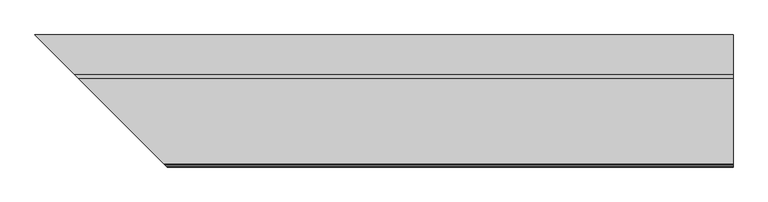
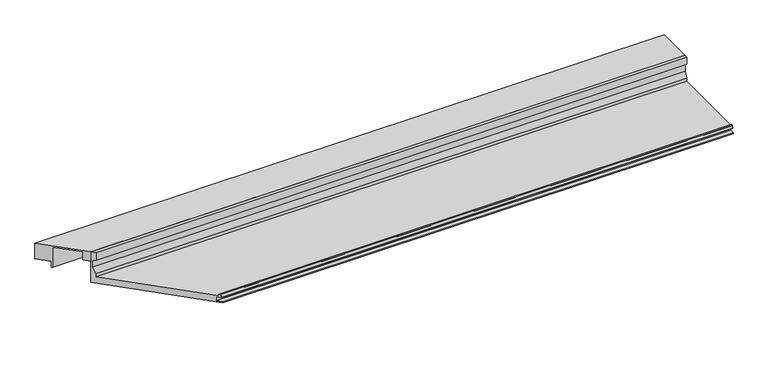
"""IFC4 building model written with IfcOpenShell, lengths in millimetres: proxy geometry."""

from ifc_helpers import new_model, si_unit, frame, origin, place, context, project, spatial, polyline, circle_curve, ellipse_curve, faceted_brep, source, transform, mapped, element, save
from ifc_brep_helpers import plane_surface, cylinder_surface, revolved_surface, advanced_brep


def specialty_equipment_14acd320(model_context):
    return source(origin(), model_context, "Body", "SolidModel", [
        faceted_brep([(-165.632524, 165.632524, 63.5), (-235.482524, 235.482524, 63.5), (-235.482524, 235.482524, 31.75), (-215.241899, 215.241899, 31.75), (-215.241899, 215.241899, 19.05), (-212.9598677, 212.9598677, 19.05), (-212.9598677, 212.9598677, 61.1898306), (-175.284524, 175.284524, 61.1898306), (-175.284524, 175.284524, 44.45), (-165.632524, 165.632524, 44.45), (1009.1057457, 235.482524, 63.5), (1009.1057457, 165.632524, 63.5), (1009.1057457, 165.632524, 44.45), (1009.1057457, 175.284524, 44.45), (1009.1057457, 175.284524, 61.1898306), (1009.1057457, 212.9598677, 61.1898306), (1009.1057457, 212.9598677, 19.05), (1009.1057457, 215.241899, 19.05), (1009.1057457, 215.241899, 31.75), (1009.1057457, 235.482524, 31.75)], [[[0, 1, 2, 3, 4, 5, 6, 7, 8, 9]], [[10, 11, 12, 13, 14, 15, 16, 17, 18, 19]], [[10, 1, 0, 11]], [[11, 0, 9, 12]], [[12, 9, 8, 13]], [[13, 8, 7, 14]], [[14, 7, 6, 15]], [[15, 6, 5, 16]], [[16, 5, 4, 17]], [[17, 4, 3, 18]], [[18, 3, 2, 19]], [[1, 10, 19, 2]]]),
        advanced_brep(
        [(-165.632524, 165.632524, 0.0), (0.0, 0.0, 0.0), (0.0, 0.0, 1.651), (-8.368424, 8.368424, 1.7970714), (-8.368424, 8.368424, 9.7466904), (-7.805541, 7.805541, 10.3095735), (-1.0402986, 1.0402986, 10.3095735), (-0.5832573, 0.5832573, 11.0269846), (-2.843924, 2.843924, 15.875), (-5.206124, 5.206124, 15.875), (-5.206124, 5.206124, 12.7), (-159.282524, 159.282524, 12.7), (-159.282524, 159.282524, 19.05), (-163.346524, 163.346524, 31.75), (-163.346524, 163.346524, 46.0298451), (-158.495124, 158.495124, 48.3942822), (-158.495124, 158.495124, 63.5), (-165.632524, 165.632524, 63.5), (1009.1057457, 0.0, 0.0), (1009.1057457, 165.632524, 0.0), (1009.1057457, 165.632524, 63.5), (1009.1057457, 158.495124, 63.5), (1009.1057457, 158.495124, 48.3942822), (1009.1057457, 163.346524, 46.0298451), (1009.1057457, 163.346524, 31.75), (1009.1057457, 159.282524, 19.05), (1009.1057457, 159.282524, 12.7), (1009.1057457, 5.206124, 12.7), (1009.1057457, 5.206124, 15.875), (1009.1057457, 2.843924, 15.875), (1009.1057457, 0.5832573, 11.0269846), (1009.1057457, 1.0402986, 10.3095735), (1009.1057457, 7.805541, 10.3095735), (1009.1057457, 8.368424, 9.7466904), (1009.1057457, 8.368424, 1.7970714), (1009.1057457, 0.0, 1.651)],
        [
            (0, 1),
            (1, 2),
            (2, 3),
            (3, 4),
            (4, 5, ellipse_curve(frame((-7.805541, 7.805541, 9.7466904), z_axis=(0.7071067811865487, 0.7071067811865465, 0.0), x_axis=(0.7071067811865462, -0.7071067811865487, 0.0)), 0.7960368, 0.562883)),
            (5, 6),
            (6, 7, ellipse_curve(frame((-1.0402986, 1.0402986, 10.8138628), z_axis=(-0.7071067811865487, -0.7071067811865465, 0.0), x_axis=(-0.7071067811865462, 0.7071067811865487, 0.0)), 0.7131728, 0.5042893)),
            (7, 8),
            (8, 9),
            (9, 10),
            (10, 11),
            (11, 12),
            (12, 13),
            (13, 14),
            (14, 15),
            (15, 16),
            (16, 17),
            (17, 0),
            (18, 19),
            (19, 20),
            (20, 21),
            (21, 22),
            (22, 23),
            (23, 24),
            (24, 25),
            (25, 26),
            (26, 27),
            (27, 28),
            (28, 29),
            (29, 30),
            (30, 31, circle_curve(frame((1009.1057457, 1.0402986, 10.8138628), z_axis=(1.0, 0.0, 0.0), x_axis=(0.0, 1.0, 0.0)), 0.5042893)),
            (31, 32),
            (32, 33, circle_curve(frame((1009.1057457, 7.805541, 9.7466904), z_axis=(-1.0, 0.0, 0.0), x_axis=(0.0, 1.0, 0.0)), 0.562883)),
            (33, 34),
            (34, 35),
            (35, 18),
            (0, 19),
            (18, 1),
            (35, 2),
            (34, 3),
            (33, 4),
            (32, 5),
            (31, 6),
            (30, 7),
            (29, 8),
            (28, 9),
            (27, 10),
            (26, 11),
            (25, 12),
            (24, 13),
            (23, 14),
            (22, 15),
            (21, 16),
            (20, 17),
        ],
        [
            plane_surface(frame((0.0, 0.0, 304.8), z_axis=(-0.7071067811865487, -0.7071067811865465, 0.0), x_axis=(0.0, 0.0, -1.0))),
            plane_surface(frame((1009.1057457, 508.0, 304.8), z_axis=(1.0, 0.0, 0.0), x_axis=(0.0, 0.0, -1.0))),
            plane_surface(frame((-406.4, 165.632524, 0.0), z_axis=(0.0, 0.0, -1.0), x_axis=(1.0, 0.0, 0.0))),
            plane_surface(frame((-406.4, 0.0, 0.0), z_axis=(0.0, -1.0, 0.0), x_axis=(1.0, 0.0, 0.0))),
            plane_surface(frame((-406.4, 0.0, 1.651), z_axis=(0.0, -0.01745240643728535, 0.9998476951563913), x_axis=(1.0, 0.0, 0.0))),
            plane_surface(frame((-406.4, 8.368424, 1.7970714), z_axis=(0.0, -1.0, 0.0), x_axis=(1.0, 0.0, 0.0))),
            revolved_surface(polyline([(1009.1057457, 8.368424, 9.7466904), (-8.368424019354052, 8.368424, 9.7466904)]), (-406.4, 7.805541, 9.7466904), (1.0, 0.0, 0.0)),
            plane_surface(frame((-406.4, 7.805541, 10.3095735), z_axis=(0.0, 0.0, -1.0), x_axis=(1.0, 0.0, 0.0))),
            cylinder_surface(frame((-406.4, 1.0402986, 10.8138628), z_axis=(-1.0, 0.0, 0.0), x_axis=(0.0, 1.0, 0.0)), 0.5042893),
            plane_surface(frame((-406.4, 0.5832573, 11.0269846), z_axis=(0.0, -0.9063077870366325, 0.4226182617407369), x_axis=(1.0, 0.0, 0.0))),
            plane_surface(frame((-406.4, 2.843924, 15.875), z_axis=(0.0, 0.0, 1.0), x_axis=(1.0, 0.0, 0.0))),
            plane_surface(frame((-406.4, 5.206124, 15.875), z_axis=(0.0, 1.0, 0.0), x_axis=(1.0, 0.0, 0.0))),
            plane_surface(frame((-406.4, 5.206124, 12.7), z_axis=(0.0, 0.0, 1.0), x_axis=(1.0, 0.0, 0.0))),
            plane_surface(frame((-406.4, 159.282524, 12.7), z_axis=(0.0, -1.0, 0.0), x_axis=(1.0, 0.0, 0.0))),
            plane_surface(frame((-406.4, 159.282524, 19.05), z_axis=(0.0, -0.9524241471993259, 0.3047757271037786), x_axis=(1.0, 0.0, 0.0))),
            plane_surface(frame((-406.4, 163.346524, 31.75), z_axis=(0.0, -1.0, 0.0), x_axis=(1.0, 0.0, 0.0))),
            plane_surface(frame((-406.4, 163.346524, 46.0298451), z_axis=(0.0, -0.4381093610951833, -0.8989216805266022), x_axis=(1.0, 0.0, 0.0))),
            plane_surface(frame((-406.4, 158.495124, 48.3942822), z_axis=(0.0, -1.0, 0.0), x_axis=(1.0, 0.0, 0.0))),
            plane_surface(frame((-406.4, 158.495124, 63.5), z_axis=(0.0, 0.0, 1.0), x_axis=(1.0, 0.0, 0.0))),
            plane_surface(frame((-406.4, 165.632524, 63.5), z_axis=(0.0, 1.0, 0.0), x_axis=(1.0, 0.0, 0.0))),
        ],
        [
            (0, [[1, 2, 3, 4, 5, 6, 7, 8, 9, 10, 11, 12, 13, 14, 15, 16, 17, 18]]),
            (1, [[19, 20, 21, 22, 23, 24, 25, 26, 27, 28, 29, 30, 31, 32, 33, 34, 35, 36]]),
            (2, [[37, -19, 38, -1]]),
            (3, [[-38, -36, 39, -2]]),
            (4, [[-39, -35, 40, -3]]),
            (5, [[-40, -34, 41, -4]]),
            (6, [[-41, -33, 42, -5]]),
            (7, [[-42, -32, 43, -6]]),
            (8, [[-43, -31, 44, -7]]),
            (9, [[-44, -30, 45, -8]]),
            (10, [[-45, -29, 46, -9]]),
            (11, [[-46, -28, 47, -10]]),
            (12, [[-47, -27, 48, -11]]),
            (13, [[-48, -26, 49, -12]]),
            (14, [[-49, -25, 50, -13]]),
            (15, [[-50, -24, 51, -14]]),
            (16, [[-51, -23, 52, -15]]),
            (17, [[-52, -22, 53, -16]]),
            (18, [[-53, -21, 54, -17]]),
            (19, [[-37, -18, -54, -20]]),
        ],
    ),
    ])


if __name__ == "__main__":
    model = new_model("IFC4")
    model_context = context("Model", 3, world=origin())
    ifc_project = project(units=[si_unit("LENGTHUNIT", "METRE", prefix="MILLI")], contexts=[model_context])
    site = spatial("IfcSite", under=ifc_project)
    building = spatial("IfcBuilding", under=site)
    placement = place(None, origin())
    specialty_equipment_shape = specialty_equipment_14acd320(model_context)
    element("IfcBuildingElementProxy", 1, Name="Specialty Equipment", at=placement, inside=building, context=model_context, shape_type="MappedRepresentation", body=[
        mapped(specialty_equipment_shape, transform((0.0, 0.0, 0.0), x_axis=(1.0, 0.0, 0.0), y_axis=(0.0, 1.0, 0.0), z_axis=(0.0, 0.0, 1.0))),
    ])
    save(model, "model.ifc")
